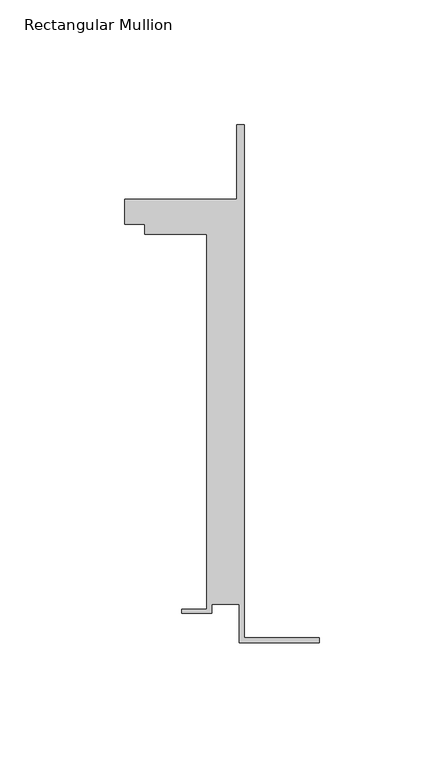
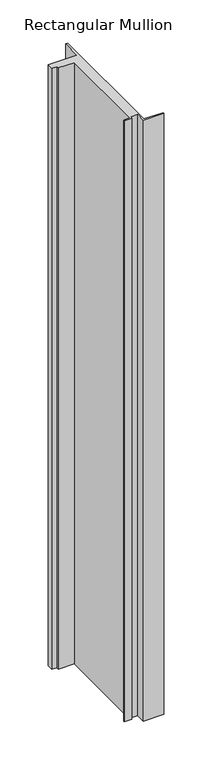
"""IFC4 building model written with IfcOpenShell, lengths in millimetres: member geometry, Rectangular Mullion."""

import ifcopenshell
import ifcopenshell.guid

model = None  # the IFC model being written
_history = None  # IfcOwnerHistory: only IFC2X3 demands one
_inside = {}  # id of a spatial element -> (the spatial element, [elements in it])
_under = {}  # id of a project, library or spatial element -> (it, [spatial elements below it])
_declared = {}  # id of a project -> (the project, [libraries it declares])
_typed = {}  # id of a type object -> (the type object, [elements of that type])
_made_of = {}  # id of a material, layer set ... -> (it, [elements and type objects made of it])


def new_model(schema):
    """Start an empty IFC model of exactly this schema.

    Asked for "IFC4X3", IfcOpenShell would pick the latest addendum, in which some entities
    have other attributes; the version numbers below select the first issue.
    IFC2X3 requires an IfcOwnerHistory on every rooted entity: one is made here for all.
    """
    global model, _history
    if schema == "IFC4X3":
        model = ifcopenshell.file(schema_version=(4, 3, 0, 0))
    else:
        model = ifcopenshell.file(schema=schema)
    _inside.clear()
    _under.clear()
    _declared.clear()
    _typed.clear()
    _made_of.clear()
    _history = None
    if model.schema == "IFC2X3":
        org = make("IfcOrganization", Name="unknown")
        user = make(
            "IfcPersonAndOrganization",
            ThePerson=make("IfcPerson", FamilyName="unknown"),
            TheOrganization=org,
        )
        app = make(
            "IfcApplication",
            ApplicationDeveloper=org,
            Version="unknown",
            ApplicationFullName="unknown",
            ApplicationIdentifier="unknown",
        )
        _history = make(
            "IfcOwnerHistory",
            OwningUser=user,
            OwningApplication=app,
            ChangeAction="ADDED",
            CreationDate=0,
        )
    return model


def make(cls, **values):
    """One entity of the class cls with the attributes given. An attribute that is None is left unset."""
    return model.create_entity(
        cls, **{name: value for name, value in values.items() if value is not None}
    )


def rooted(cls, **values):
    """An entity with a GlobalId (a new one), such as an element, a storey or a relation."""
    return make(cls, GlobalId=ifcopenshell.guid.new(), OwnerHistory=_history, **values)


def si_unit(unit_type, name, prefix=None):
    """IfcSIUnit, for example si_unit("LENGTHUNIT", "METRE", prefix="MILLI")."""
    return make("IfcSIUnit", UnitType=unit_type, Prefix=prefix, Name=name)


def assignment(units):
    """IfcUnitAssignment: the units of a project."""
    return None if units is None else make("IfcUnitAssignment", Units=units)


def point(xyz):
    """IfcCartesianPoint."""
    return None if xyz is None else make("IfcCartesianPoint", Coordinates=xyz)


def direction(xyz):
    """IfcDirection."""
    return None if xyz is None else make("IfcDirection", DirectionRatios=xyz)


def frame(location, z_axis=None, x_axis=None):
    """IfcAxis2Placement3D, a coordinate frame: its origin and axes. An axis left out is left unset."""
    return make(
        "IfcAxis2Placement3D",
        Location=point(location),
        Axis=direction(z_axis),
        RefDirection=direction(x_axis),
    )


def origin():
    """The frame at (0, 0, 0) with its axes left unset."""
    return frame((0.0, 0.0, 0.0))


def place(relative_to, where):
    """IfcLocalPlacement: puts the frame where relative to a parent placement (None: the world)."""
    return make(
        "IfcLocalPlacement", PlacementRelTo=relative_to, RelativePlacement=where
    )


def context(
    kind, dimensions, precision=None, world=None, true_north=None, identifier=None
):
    """IfcGeometricRepresentationContext, for example the 3D "Model" context."""
    return make(
        "IfcGeometricRepresentationContext",
        ContextIdentifier=identifier,
        ContextType=kind,
        CoordinateSpaceDimension=dimensions,
        Precision=precision,
        WorldCoordinateSystem=world,
        TrueNorth=true_north,
    )


def project(units=None, contexts=None):
    """IfcProject with its units and contexts."""
    return rooted(
        "IfcProject",
        Name="project",
        RepresentationContexts=contexts,
        UnitsInContext=assignment(units),
    )


def spatial(cls, under=None, at=None, **own):
    """A site, building, storey or space (cls), placed at a placement, below another one or the project."""
    s = rooted(cls, ObjectPlacement=at, **own)
    if under is not None:
        _under.setdefault(under.id(), (under, []))[1].append(s)
    return s


def polyline(points):
    """IfcPolyline through the points."""
    return make("IfcPolyline", Points=[point(p) for p in points])


def outline(outer, holes=None, kind="AREA"):
    """IfcArbitraryClosedProfileDef: a profile drawn as a closed curve; with holes, ...WithVoids."""
    if holes is None:
        return make("IfcArbitraryClosedProfileDef", ProfileType=kind, OuterCurve=outer)
    return make(
        "IfcArbitraryProfileDefWithVoids",
        ProfileType=kind,
        OuterCurve=outer,
        InnerCurves=holes,
    )


def extrude(swept, where, along, depth):
    """IfcExtrudedAreaSolid: the profile swept, set in the frame where, extruded along a direction by depth."""
    return make(
        "IfcExtrudedAreaSolid",
        SweptArea=swept,
        Position=where,
        ExtrudedDirection=direction(along),
        Depth=depth,
    )


def shape(context_of_items, identifier, shape_type, items):
    """IfcShapeRepresentation: the items that make up one representation, for example the "Body"."""
    return make(
        "IfcShapeRepresentation",
        ContextOfItems=context_of_items,
        RepresentationIdentifier=identifier,
        RepresentationType=shape_type,
        Items=items,
    )


def source(mapping_origin, context_of_items, identifier, shape_type, items):
    """IfcRepresentationMap: a shape defined once, which mapped items show again and again."""
    return make(
        "IfcRepresentationMap",
        MappingOrigin=mapping_origin,
        MappedRepresentation=shape(context_of_items, identifier, shape_type, items),
    )


def transform(
    local_origin,
    x_axis=None,
    y_axis=None,
    z_axis=None,
    scale=None,
    scale2=None,
    scale3=None,
    uniform=True,
):
    """IfcCartesianTransformationOperator3D, or its non-uniform kind. x_axis, y_axis, z_axis: its Axis1, 2, 3."""
    if uniform:
        return make(
            "IfcCartesianTransformationOperator3D",
            Axis1=direction(x_axis),
            Axis2=direction(y_axis),
            LocalOrigin=point(local_origin),
            Scale=scale,
            Axis3=direction(z_axis),
        )
    return make(
        "IfcCartesianTransformationOperator3DnonUniform",
        Axis1=direction(x_axis),
        Axis2=direction(y_axis),
        LocalOrigin=point(local_origin),
        Scale=scale,
        Axis3=direction(z_axis),
        Scale2=scale2,
        Scale3=scale3,
    )


def mapped(mapping_source, mapping_target):
    """IfcMappedItem: shows the shape of a source again, moved by a transform."""
    return make(
        "IfcMappedItem", MappingSource=mapping_source, MappingTarget=mapping_target
    )


def made_of(thing, what):
    """Note that an element or type object is made of a material, layer set ...; save() writes the relation."""
    if what is not None:
        _made_of.setdefault(what.id(), (what, []))[1].append(thing)
    return thing


def element(
    cls,
    number,
    at=None,
    inside=None,
    cuts=None,
    type_object=None,
    material=None,
    context=None,
    identifier="Body",
    shape_type=None,
    held_by="IfcProductDefinitionShape",
    body=None,
    shapes=None,
    **own,
):
    """One element of the class cls, such as IfcWall. Its Tag is "e" and its number.

    at: its placement. inside: the storey or other place that contains it. cuts: it is an
    opening in that element (IfcRelVoidsElement). A single representation is given by context,
    identifier, shape_type and body (its items); several are given by shapes. held_by: the class
    of the entity that holds the representations. save() writes the other relations.
    """
    e = rooted(cls, Tag="e%d" % number, ObjectPlacement=at, **own)
    if body is not None:
        shapes = [shape(context, identifier, shape_type, body)]
    if shapes is not None:
        e.Representation = make(held_by, Representations=shapes)
    if inside is not None:
        _inside.setdefault(inside.id(), (inside, []))[1].append(e)
    if cuts is not None:
        rooted(
            "IfcRelVoidsElement", RelatingBuildingElement=cuts, RelatedOpeningElement=e
        )
    if type_object is not None:
        _typed.setdefault(type_object.id(), (type_object, []))[1].append(e)
    return made_of(e, material)


def aggregate(whole, parts):
    """IfcRelAggregates: a whole, such as a stair, and the parts it consists of."""
    return rooted("IfcRelAggregates", RelatingObject=whole, RelatedObjects=parts)


def save(model, path):
    """Write the relations noted so far, then the file.

    IfcRelAggregates (storeys below a building ...), IfcRelContainedInSpatialStructure (elements
    in a storey), IfcRelDefinesByType, IfcRelAssociatesMaterial and IfcRelDeclares: one each for
    every whole, place, type object, material and project.
    """
    for whole, parts in _under.values():
        aggregate(whole, parts)
    for where, things in _inside.values():
        rooted(
            "IfcRelContainedInSpatialStructure",
            RelatedElements=things,
            RelatingStructure=where,
        )
    for kind, things in _typed.values():
        rooted("IfcRelDefinesByType", RelatedObjects=things, RelatingType=kind)
    for what, things in _made_of.values():
        rooted("IfcRelAssociatesMaterial", RelatedObjects=things, RelatingMaterial=what)
    for by, libraries in _declared.values():
        rooted("IfcRelDeclares", RelatingContext=by, RelatedDefinitions=libraries)
    model.write(path)


def rectangular_mullion_105b9430(model_context):
    return source(origin(), model_context, "Body", "SweptSolid", [
        extrude(outline(polyline([(-32.1465839, -41.25), (-32.1465839, -25.75), (-43.1465839, -25.75), (-43.1465839, -29.25), (-55.1465839, -29.25), (-55.1465839, -27.75), (-45.1465839, -27.75), (-45.1465839, 122.75), (-70.1466122, 122.75), (-70.1466122, 126.75), (-78.1466122, 126.75), (-78.1466122, 136.75), (-33.1466122, 136.75), (-33.1466122, 166.75), (-30.1465839, 166.75), (-30.1465839, -39.25), (0.0, -39.25), (0.0, -41.25), (-32.1465839, -41.25)])), frame((0.0, 0.0, -992.7500763), z_axis=(0.0, 0.0, 1.0), x_axis=(1.0, 0.0, 0.0)), (0.0, 0.0, 1.0), 992.7500763),
    ])


if __name__ == "__main__":
    model = new_model("IFC4")
    model_context = context("Model", 3, world=origin())
    ifc_project = project(units=[si_unit("LENGTHUNIT", "METRE", prefix="MILLI")], contexts=[model_context])
    site = spatial("IfcSite", under=ifc_project)
    building = spatial("IfcBuilding", under=site)
    placement = place(None, origin())
    rectangular_mullion_shape = rectangular_mullion_105b9430(model_context)
    element("IfcMember", 1, ObjectType="Rectangular Mullion", at=placement, inside=building, context=model_context, shape_type="MappedRepresentation", body=[
        mapped(rectangular_mullion_shape, transform((0.0, 0.0, 0.0), x_axis=(1.0, 0.0, 0.0), y_axis=(0.0, 1.0, 0.0), z_axis=(0.0, 0.0, 1.0))),
    ])
    save(model, "model.ifc")
